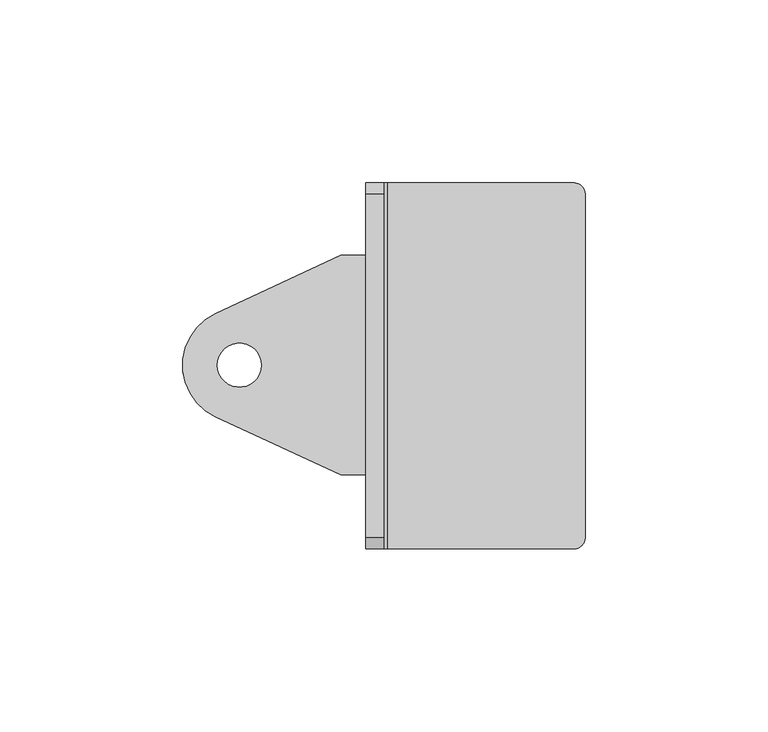
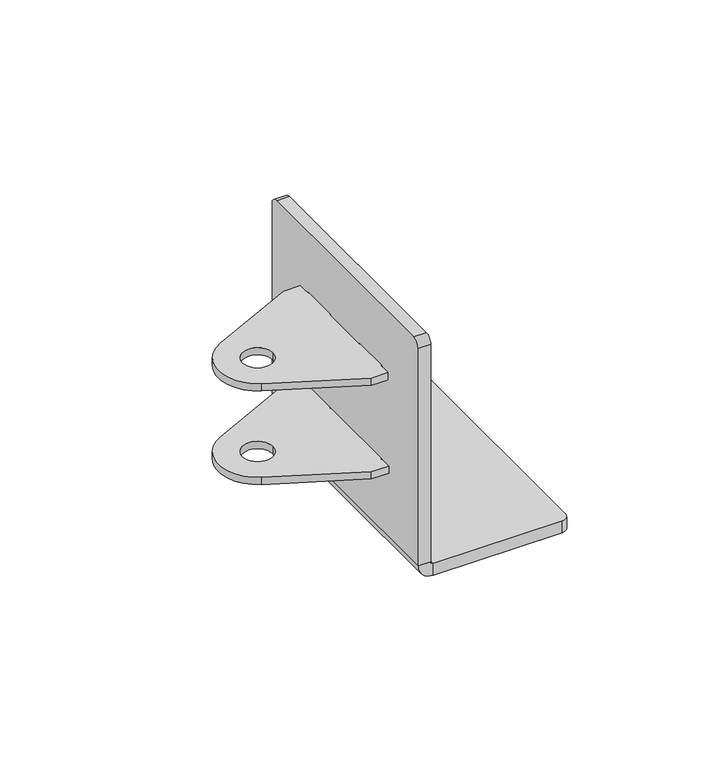
"""IFC4 building model written with IfcOpenShell, lengths in millimetres: proxy geometry."""

from ifc_helpers import new_model, si_unit, point, frame, frame_2d, origin, place, context, project, spatial, polyline, circle_curve, trimmed, segment, composite_curve, outline, extrude, source, transform, mapped, element, save
from ifc_brep_helpers import plane_surface, cylinder_surface, revolved_surface, advanced_brep


def generic_models_3b96879b(model_context):
    return source(origin(), model_context, "Body", "SolidModel", [
        extrude(outline(composite_curve([segment(polyline([(5.0, 4.9), (0.0, 4.9), (0.0, 0.0), (-6.8409169, 0.0), (-41.0505831, 15.9522293)]), True, "CONTINUOUS"), segment(trimmed(circle_curve(frame_2d((-34.5, 30.0)), 15.5), [point((-41.0505831, 15.9522293))], [point((-41.0505831, 44.0477707))], False, "CARTESIAN"), True, "CONTINUOUS"), segment(polyline([(-41.0505831, 44.0477707), (-6.8409169, 60.0), (0.0, 60.0), (0.0, 55.1), (5.0, 55.1), (5.0, 40.1), (0.0, 40.1), (0.0, 19.9), (5.0, 19.9), (5.0, 4.9)]), True, "CONTINUOUS")], self_intersect=False), holes=[composite_curve([segment(trimmed(circle_curve(frame_2d((-34.5, 30.0)), 6.0), [point((-28.5, 30.0))], [point((-40.5, 30.0))], True, "CARTESIAN"), True, "CONTINUOUS"), segment(trimmed(circle_curve(frame_2d((-34.5, 30.0)), 6.0), [point((-40.5, 30.0))], [point((-28.5, 30.0))], True, "CARTESIAN"), True, "CONTINUOUS")], self_intersect=False)]), frame((0.0, 0.0, -38.2), z_axis=(0.0, 0.0, 1.0), x_axis=(1.0, 0.0, 0.0)), (0.0, 0.0, 1.0), 3.0),
        advanced_brep(
        [(57.0, 79.8, -70.7), (60.0, 76.8, -70.7), (60.0, -17.2, -70.7), (57.0, -20.2, -70.7), (6.0, -20.2, -70.7), (6.0, 79.8, -70.7), (60.0, 76.8, -65.7), (57.0, 79.8, -65.7), (6.0, 79.8, -65.7), (6.0, -20.2, -65.7), (57.0, -20.2, -65.7), (60.0, -17.2, -65.7), (0.0, -17.2, 29.3), (0.0, -20.2, 26.3), (5.0, -20.2, 26.3), (5.0, -17.2, 29.3), (0.0, -20.2, -64.7), (5.0, -20.2, -64.7), (0.0, 76.8, 29.3), (0.0, 79.8, 26.3), (0.0, 79.8, -64.7), (0.0, 20.0, 0.9), (0.0, 20.0, 4.1), (0.0, 4.8, 4.1), (0.0, 4.8, 0.9), (0.0, 20.0, -38.3), (0.0, 20.0, -35.1), (0.0, 4.8, -35.1), (0.0, 4.8, -38.3), (0.0, 40.0, 4.1), (0.0, 40.0, 0.9), (0.0, 55.2, 0.9), (0.0, 55.2, 4.1), (0.0, 40.0, -35.1), (0.0, 40.0, -38.3), (0.0, 55.2, -38.3), (0.0, 55.2, -35.1), (5.0, 76.8, 29.3), (5.0, 79.8, 26.3), (5.0, 79.8, -64.7), (5.0, 4.8, 4.1), (5.0, 4.8, 0.9), (5.0, 20.0, 4.1), (5.0, 20.0, 0.9), (5.0, 4.8, -35.1), (5.0, 4.8, -38.3), (5.0, 20.0, -35.1), (5.0, 20.0, -38.3), (5.0, 55.2, 0.9), (5.0, 55.2, 4.1), (5.0, 40.0, 0.9), (5.0, 40.0, 4.1), (5.0, 55.2, -38.3), (5.0, 55.2, -35.1), (5.0, 40.0, -38.3), (5.0, 40.0, -35.1)],
        [
            (0, 1, circle_curve(frame((57.0, 76.8, -70.7), z_axis=(0.0, 0.0, -1.0), x_axis=(0.7071067811865454, 0.7071067811865498, 0.0)), 3.0)),
            (1, 2),
            (2, 3, circle_curve(frame((57.0, -17.2, -70.7), z_axis=(0.0, 0.0, -1.0), x_axis=(0.707106781186546, -0.7071067811865492, 0.0)), 3.0)),
            (3, 4),
            (4, 5),
            (5, 0),
            (6, 7, circle_curve(frame((57.0, 76.8, -65.7), z_axis=(0.0, 0.0, 1.0), x_axis=(0.7071067811865454, 0.7071067811865498, 0.0)), 3.0)),
            (7, 8),
            (8, 9),
            (9, 10),
            (10, 11, circle_curve(frame((57.0, -17.2, -65.7), z_axis=(0.0, 0.0, 1.0), x_axis=(0.707106781186546, -0.7071067811865492, 0.0)), 3.0)),
            (11, 6),
            (0, 7),
            (6, 1),
            (11, 2),
            (10, 3),
            (9, 4),
            (12, 13, circle_curve(frame((0.0, -17.2, 26.3), z_axis=(1.0, 0.0, 0.0), x_axis=(0.0, -0.7071067811865485, 0.7071067811865467)), 3.0)),
            (13, 14),
            (14, 15, circle_curve(frame((5.0, -17.2, 26.3), z_axis=(-1.0, 0.0, 0.0), x_axis=(0.0, -0.7071067811865485, 0.7071067811865467)), 3.0)),
            (15, 12),
            (13, 16),
            (16, 17),
            (17, 14),
            (12, 18),
            (18, 19, circle_curve(frame((0.0, 76.8, 26.3), z_axis=(-1.0, 0.0, 0.0), x_axis=(0.0, 0.7071067811865467, 0.7071067811865483)), 3.0)),
            (19, 20),
            (20, 16),
            (21, 22),
            (22, 23),
            (23, 24),
            (24, 21),
            (25, 26),
            (26, 27),
            (27, 28),
            (28, 25),
            (29, 30),
            (30, 31),
            (31, 32),
            (32, 29),
            (33, 34),
            (34, 35),
            (35, 36),
            (36, 33),
            (18, 37),
            (37, 38, circle_curve(frame((5.0, 76.8, 26.3), z_axis=(-1.0, 0.0, 0.0), x_axis=(0.0, 0.7071067811865467, 0.7071067811865483)), 3.0)),
            (38, 19),
            (38, 39),
            (39, 20),
            (40, 41),
            (41, 24),
            (23, 40),
            (42, 40),
            (22, 42),
            (43, 42),
            (21, 43),
            (41, 43),
            (44, 45),
            (45, 28),
            (27, 44),
            (46, 44),
            (26, 46),
            (47, 46),
            (25, 47),
            (45, 47),
            (48, 49),
            (49, 32),
            (31, 48),
            (50, 48),
            (30, 50),
            (51, 50),
            (29, 51),
            (49, 51),
            (52, 53),
            (53, 36),
            (35, 52),
            (54, 52),
            (34, 54),
            (55, 54),
            (33, 55),
            (53, 55),
            (4, 16, circle_curve(frame((6.0, -20.2, -64.7), z_axis=(0.0, 1.0, 0.0), x_axis=(-1.0, 0.0, 0.0)), 6.0)),
            (20, 5, circle_curve(frame((6.0, 79.8, -64.7), z_axis=(0.0, -1.0, 0.0), x_axis=(-1.0, 0.0, 0.0)), 6.0)),
            (5, 8),
            (9, 17, circle_curve(frame((6.0, -20.2, -64.7), z_axis=(0.0, 1.0, 0.0), x_axis=(-1.0, 0.0, 0.0)), 1.0)),
            (39, 8, circle_curve(frame((6.0, 79.8, -64.7), z_axis=(0.0, -1.0, 0.0), x_axis=(-1.0, 0.0, 0.0)), 1.0)),
            (39, 17),
            (15, 37),
        ],
        [
            plane_surface(frame((31.4684736, 29.8, -70.7), z_axis=(0.0, 0.0, -1.0), x_axis=(1.0, 0.0, 0.0))),
            plane_surface(frame((31.4684736, 29.8, -65.7), z_axis=(0.0, 0.0, 1.0), x_axis=(1.0, 0.0, 0.0))),
            cylinder_surface(frame((57.0, 76.8, -65.7), z_axis=(0.0, 0.0, -1.0000000000000002), x_axis=(0.7071067811865454, 0.7071067811865498, 0.0)), 3.0),
            plane_surface(frame((60.0, -20.2, -65.7), z_axis=(1.0, 0.0, 0.0), x_axis=(0.0, 0.0, 1.0))),
            cylinder_surface(frame((57.0, -17.2, -65.7), z_axis=(0.0, 0.0, -1.0000000000000002), x_axis=(0.707106781186546, -0.7071067811865492, 0.0)), 3.0),
            plane_surface(frame((6.0, -20.2, -65.7), z_axis=(0.0, -1.0, 0.0), x_axis=(0.0, 0.0, -1.0))),
            cylinder_surface(frame((5.0, -17.2, 26.3), z_axis=(-1.0000000000000002, 0.0, 0.0), x_axis=(0.0, -0.7071067811865485, 0.7071067811865467)), 3.0),
            plane_surface(frame((5.0, -20.2, 29.3), z_axis=(0.0, -1.0, 0.0), x_axis=(-1.0, 0.0, 0.0))),
            plane_surface(frame((0.0, 29.8, -20.7), z_axis=(-1.0, 0.0, 0.0), x_axis=(0.0, 0.0, -1.0))),
            cylinder_surface(frame((5.0, 76.8, 26.3), z_axis=(-1.0, 0.0, 0.0), x_axis=(0.0, 0.7071067811865467, 0.7071067811865483)), 3.0),
            plane_surface(frame((5.0, 79.8, -70.7), z_axis=(0.0, 1.0, 0.0), x_axis=(1.0, 0.0, 0.0))),
            plane_surface(frame((0.0, 4.8, 0.9), z_axis=(0.0, 1.0, 0.0), x_axis=(-1.0, 0.0, 0.0))),
            plane_surface(frame((0.0, 4.8, 4.1), z_axis=(0.0, 0.0, -1.0), x_axis=(-1.0, 0.0, 0.0))),
            plane_surface(frame((0.0, 20.0, 4.1), z_axis=(0.0, -1.0, 0.0), x_axis=(1.0, 0.0, 0.0))),
            plane_surface(frame((0.0, 20.0, 0.9), z_axis=(0.0, 0.0, 1.0), x_axis=(1.0, 0.0, 0.0))),
            plane_surface(frame((0.0, 4.8, -38.3), z_axis=(0.0, 1.0, 0.0), x_axis=(-1.0, 0.0, 0.0))),
            plane_surface(frame((0.0, 4.8, -35.1), z_axis=(0.0, 0.0, -1.0), x_axis=(-1.0, 0.0, 0.0))),
            plane_surface(frame((0.0, 20.0, -35.1), z_axis=(0.0, -1.0, 0.0), x_axis=(1.0, 0.0, 0.0))),
            plane_surface(frame((0.0, 20.0, -38.3), z_axis=(0.0, 0.0, 1.0), x_axis=(1.0, 0.0, 0.0))),
            plane_surface(frame((0.0, 55.2, 4.1), z_axis=(0.0, -1.0, 0.0), x_axis=(1.0, 0.0, 0.0))),
            plane_surface(frame((0.0, 55.2, 0.9), z_axis=(0.0, 0.0, 1.0), x_axis=(1.0, 0.0, 0.0))),
            plane_surface(frame((0.0, 40.0, 0.9), z_axis=(0.0, 1.0, 0.0), x_axis=(-1.0, 0.0, 0.0))),
            plane_surface(frame((0.0, 40.0, 4.1), z_axis=(0.0, 0.0, -1.0), x_axis=(-1.0, 0.0, 0.0))),
            plane_surface(frame((0.0, 55.2, -35.1), z_axis=(0.0, -1.0, 0.0), x_axis=(1.0, 0.0, 0.0))),
            plane_surface(frame((0.0, 55.2, -38.3), z_axis=(0.0, 0.0, 1.0), x_axis=(1.0, 0.0, 0.0))),
            plane_surface(frame((0.0, 40.0, -38.3), z_axis=(0.0, 1.0, 0.0), x_axis=(-1.0, 0.0, 0.0))),
            plane_surface(frame((0.0, 40.0, -35.1), z_axis=(0.0, 0.0, -1.0), x_axis=(-1.0, 0.0, 0.0))),
            cylinder_surface(frame((6.0, 29.8, -64.7), z_axis=(0.0, -1.0, 0.0), x_axis=(-1.0, 0.0, 0.0)), 6.0),
            plane_surface(frame((6.0, 79.8, -65.7), z_axis=(0.0, 1.0, 0.0), x_axis=(0.0, 0.0, 1.0))),
            plane_surface(frame((6.0, -20.2, -65.7), z_axis=(0.0, -1.0, 0.0), x_axis=(-1.0, 0.0, 0.0))),
            plane_surface(frame((6.0, 79.8, -70.7), z_axis=(0.0, 1.0, 0.0), x_axis=(1.0, 0.0, 0.0))),
            revolved_surface(polyline([(5.0, -20.2, -64.7), (5.0, 79.8, -64.7)]), (6.0, 29.8, -64.7), (0.0, -1.0, 0.0)),
            plane_surface(frame((5.0, 79.8, 29.3), z_axis=(0.0, 0.0, 1.0), x_axis=(-1.0, 0.0, 0.0))),
            plane_surface(frame((5.0, 29.8, -20.7), z_axis=(1.0, 0.0, 0.0), x_axis=(0.0, 0.0, -1.0))),
        ],
        [
            (0, [[1, 2, 3, 4, 5, 6]]),
            (1, [[7, 8, 9, 10, 11, 12]]),
            (2, [[-1, 13, -7, 14]]),
            (3, [[-14, -12, 15, -2]]),
            (4, [[-3, -15, -11, 16]]),
            (5, [[-16, -10, 17, -4]]),
            (6, [[18, 19, 20, 21]]),
            (7, [[-19, 22, 23, 24]]),
            (8, [[-18, 25, 26, 27, 28, -22], [29, 30, 31, 32], [33, 34, 35, 36], [37, 38, 39, 40], [41, 42, 43, 44]]),
            (9, [[-26, 45, 46, 47]]),
            (10, [[-47, 48, 49, -27]]),
            (11, [[50, 51, -31, 52]]),
            (12, [[53, -52, -30, 54]]),
            (13, [[55, -54, -29, 56]]),
            (14, [[57, -56, -32, -51]]),
            (15, [[58, 59, -35, 60]]),
            (16, [[61, -60, -34, 62]]),
            (17, [[63, -62, -33, 64]]),
            (18, [[65, -64, -36, -59]]),
            (19, [[66, 67, -39, 68]]),
            (20, [[69, -68, -38, 70]]),
            (21, [[71, -70, -37, 72]]),
            (22, [[73, -72, -40, -67]]),
            (23, [[74, 75, -43, 76]]),
            (24, [[77, -76, -42, 78]]),
            (25, [[79, -78, -41, 80]]),
            (26, [[81, -80, -44, -75]]),
            (27, [[-5, 82, -28, 83]]),
            (28, [[-13, -6, 84, -8]]),
            (29, [[-17, 85, -23, -82]]),
            (30, [[-84, -83, -49, 86]]),
            (31, [[-9, -86, 87, -85]]),
            (32, [[-21, 88, -45, -25]]),
            (33, [[-20, -24, -87, -48, -46, -88], [-55, -57, -50, -53], [-63, -65, -58, -61], [-71, -73, -66, -69], [-79, -81, -74, -77]]),
        ],
    ),
        extrude(outline(composite_curve([segment(polyline([(5.0, 4.9), (0.0, 4.9), (0.0, 0.0), (-6.8409169, 0.0), (-41.0505831, 15.9522293)]), True, "CONTINUOUS"), segment(trimmed(circle_curve(frame_2d((-34.5, 30.0)), 15.5), [point((-41.0505831, 15.9522293))], [point((-41.0505831, 44.0477707))], False, "CARTESIAN"), True, "CONTINUOUS"), segment(polyline([(-41.0505831, 44.0477707), (-6.8409169, 60.0), (0.0, 60.0), (0.0, 55.1), (5.0, 55.1), (5.0, 40.1), (0.0, 40.1), (0.0, 19.9), (5.0, 19.9), (5.0, 4.9)]), True, "CONTINUOUS")], self_intersect=False), holes=[composite_curve([segment(trimmed(circle_curve(frame_2d((-34.5, 30.0)), 6.0), [point((-28.5, 30.0))], [point((-40.5, 30.0))], True, "CARTESIAN"), True, "CONTINUOUS"), segment(trimmed(circle_curve(frame_2d((-34.5, 30.0)), 6.0), [point((-40.5, 30.0))], [point((-28.5, 30.0))], True, "CARTESIAN"), True, "CONTINUOUS")], self_intersect=False)]), frame((0.0, 0.0, 1.0), z_axis=(0.0, 0.0, 1.0), x_axis=(1.0, 0.0, 0.0)), (0.0, 0.0, 1.0), 3.0),
    ])


if __name__ == "__main__":
    model = new_model("IFC4")
    model_context = context("Model", 3, world=origin())
    ifc_project = project(units=[si_unit("LENGTHUNIT", "METRE", prefix="MILLI")], contexts=[model_context])
    site = spatial("IfcSite", under=ifc_project)
    building = spatial("IfcBuilding", under=site)
    placement = place(None, origin())
    generic_models_shape = generic_models_3b96879b(model_context)
    element("IfcBuildingElementProxy", 1, Name="Generic Models", at=placement, inside=building, context=model_context, shape_type="MappedRepresentation", body=[
        mapped(generic_models_shape, transform((0.0, 0.0, 0.0), x_axis=(1.0, 0.0, 0.0), y_axis=(0.0, 1.0, 0.0), z_axis=(0.0, 0.0, 1.0))),
    ])
    save(model, "model.ifc")
